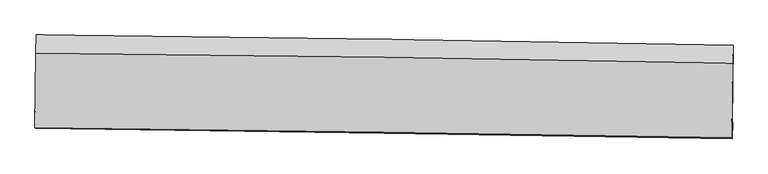
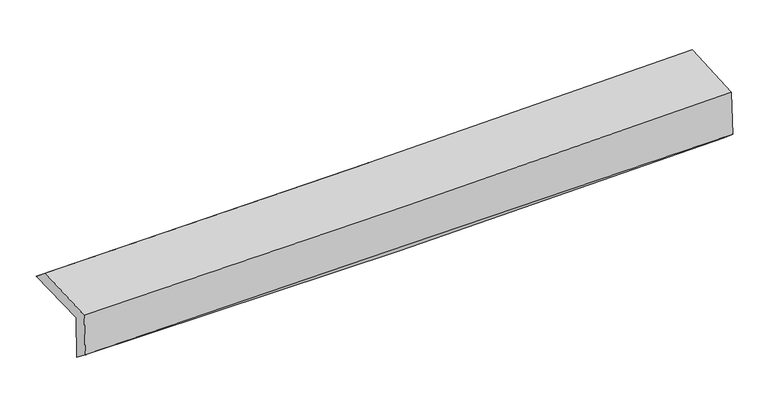
"""IFC4 building model written with IfcOpenShell, lengths in millimetres: proxy geometry."""

from ifc_helpers import new_model, si_unit, frame, origin, place, context, project, spatial, source, transform, mapped, element, save
from ifc_brep_helpers import plane_surface, spline_curve, spline_surface, advanced_brep


def generic_models_867abad8(model_context):
    return source(origin(), model_context, "Body", "AdvancedBrep", [
        advanced_brep(
        [(-3031.2716714, -1755.4443718, 1971.0877321), (-3022.4803726, -1091.129277, 1981.9878266), (3018.5787591, -1181.9425075, 2111.3814659), (3009.2384975, -1856.6381618, 2121.6259902), (-3023.4626672, -1748.9866122, 1571.2161067), (3017.3474844, -1849.9323276, 1706.3933082), (-3027.8544888, -1900.6937958, 1692.1961915), (3013.0987943, -1991.8200515, 1826.8517262), (-3035.2932923, -1893.9986168, 2082.1261877), (3005.1785366, -1984.6915471, 2242.0187703), (-3027.0543268, -1249.4639747, 2107.7492119), (3013.4766385, -1335.5306647, 2267.8257075)],
        [
            (0, 1),
            (1, 2, spline_curve(3, [(-3022.4803726, -1091.129277, 1981.9878266), (-2015.007222261, -1100.379068022, 1977.255828729), (-1007.870228349, -1112.571290563, 1985.671626064), (1005.816205762, -1142.841871764, 2028.80062529), (2012.365588775, -1160.920726144, 2063.516041376), (3018.5787591, -1181.9425075, 2111.3814659)], [4, 2, 4], [0.0, 9.914238316474265, 19.829311273781716])),
            (2, 3),
            (3, 0, spline_curve(3, [(3009.2384975, -1856.6381618, 2121.6259902), (2003.254277446, -1833.866883667, 2063.1316501), (996.865115365, -1814.048198122, 2021.339800325), (-1016.638342454, -1780.317431848, 1971.163192872), (-2023.752569888, -1766.404854068, 1962.775623459), (-3031.2716714, -1755.4443718, 1971.0877321)], [4, 2, 4], [0.0, 9.915072957307451, 19.829311273781716])),
            (4, 0),
            (3, 5),
            (5, 4, spline_curve(3, [(3017.3474844, -1849.9323276, 1706.3933082), (2011.135775629, -1827.349174442, 1659.5478669), (1004.607873168, -1807.645221697, 1624.860417107), (-1008.995563848, -1773.997134793, 1579.803397), (-2016.071045394, -1760.052515486, 1569.431779352), (-3023.4626672, -1748.9866122, 1571.2161067)], [4, 2, 4], [0.0, 9.915031159944924, 19.82922768257512])),
            (6, 4),
            (5, 7),
            (7, 6, spline_curve(3, [(3013.0987943, -1991.8200515, 1826.8517262), (2006.36288355, -1974.638423084, 1803.362576754), (999.560962971, -1958.453476537, 1780.396257144), (-1014.090142844, -1928.078225996, 1735.511166726), (-2020.939316083, -1913.887753917, 1713.592308061), (-3027.8544888, -1900.6937958, 1692.1961915)], [4, 2, 4], [0.0, 9.913971319695243, 19.82710809129204])),
            (8, 6),
            (7, 9),
            (9, 8, spline_curve(3, [(3005.1785366, -1984.6915471, 2242.0187703), (1998.681997425, -1967.725361263, 2205.982154401), (992.039881875, -1951.684245115, 2174.63910161), (-1021.450752303, -1921.453424138, 2121.342364118), (-2028.299246258, -1907.263563648, 2099.387889558), (-3035.2932923, -1893.9986168, 2082.1261877)], [4, 2, 4], [0.0, 9.91383358879135, 19.826832641078305])),
            (10, 8),
            (9, 11),
            (11, 10, spline_curve(3, [(3013.4766385, -1335.5306647, 2267.8257075), (2006.99398108, -1317.478521121, 2231.832263369), (1000.353877442, -1301.280001383, 2200.49546779), (-1013.15647084, -1272.591416556, 2147.137419718), (-2020.026688881, -1260.101039955, 2125.115383299), (-3027.0543268, -1249.4639747, 2107.7492119)], [4, 2, 4], [0.0, 9.914048493403678, 19.827262432212507])),
            (1, 10),
            (11, 2),
        ],
        [
            spline_surface(3, 3, [[(-3031.2716714, -1755.4443718, 1971.0877321), (-2023.75256993, -1766.40485407, 1962.775623347), (-1016.638342443, -1780.317431851, 1971.163192862), (996.865115355, -1814.04819812, 2021.339800335), (2003.254277517, -1833.866883657, 2063.131650216), (3009.2384975, -1856.6381618, 2121.6259902)], [(-3028.341238454, -1534.006006844, 1974.721096931), (-2020.837454011, -1544.396258721, 1967.602358521), (-1013.715637676, -1557.735384705, 1975.999337245), (999.848812133, -1590.312756023, 2023.826741981), (2006.291381316, -1609.551497863, 2063.259780563), (3012.351918051, -1631.739610362, 2118.211148758)], [(-3025.410805546, -1312.567641956, 1978.354461769), (-2017.922338129, -1322.387663442, 1972.429093702), (-1010.792932976, -1335.153337601, 1980.835481663), (1002.832508845, -1366.577313968, 2026.313683662), (2009.328485062, -1385.236112082, 2063.387910936), (3015.465338549, -1406.841058938, 2114.796307342)], [(-3022.4803726, -1091.129277, 1981.9878266), (-2015.00722221, -1100.379068093, 1977.255828877), (-1007.87022821, -1112.571290456, 1985.671626046), (1005.816205623, -1142.841871871, 2028.800625308), (2012.365588861, -1160.920726289, 2063.516041283), (3018.5787591, -1181.9425075, 2111.3814659)]], [4, 4], [4, 2, 4], [0.0, 2.1969327340027465], [0.0, 9.914238316474265, 19.829311273781716]),
            spline_surface(3, 3, [[(-3023.4626672, -1748.9866122, 1571.2161067), (-2016.071045328, -1760.052515414, 1569.431779511), (-1008.99556388, -1773.997134707, 1579.803396884), (1004.607873199, -1807.645221784, 1624.860417223), (2011.135775657, -1827.349174305, 1659.547867055), (3017.3474844, -1849.9323276, 1706.3933082)], [(-3026.065668616, -1751.139198749, 1704.506648497), (-2018.631553545, -1762.169961648, 1700.54639412), (-1011.543156753, -1776.103900426, 1710.256662203), (1002.026953899, -1809.779547234, 1757.020211586), (2008.508609605, -1829.52174412, 1794.075794777), (3014.644488762, -1852.167605697, 1844.804202202)], [(-3028.668669984, -1753.291785251, 1837.797190303), (-2021.192061713, -1764.287407836, 1831.661008738), (-1014.09074957, -1778.210666131, 1840.709927544), (999.446034655, -1811.91387267, 1889.180005971), (2005.881443569, -1831.694313843, 1928.603722494), (3011.941493138, -1854.402883703, 1983.215096198)], [(-3031.2716714, -1755.4443718, 1971.0877321), (-2023.75256993, -1766.40485407, 1962.775623347), (-1016.638342443, -1780.317431851, 1971.163192862), (996.865115355, -1814.04819812, 2021.339800335), (2003.254277517, -1833.866883657, 2063.131650216), (3009.2384975, -1856.6381618, 2121.6259902)]], [4, 4], [4, 2, 4], [0.0, 1.2928027194106648], [0.0, 9.914196522630196, 19.82922768257512]),
            spline_surface(3, 3, [[(-3027.8544888, -1900.6937958, 1692.1961915), (-2020.939316129, -1913.887753798, 1713.592308186), (-1014.090142685, -1928.078225884, 1735.511166836), (999.560962812, -1958.453476649, 1780.396257034), (2006.3628837, -1974.638423149, 1803.36257665), (3013.0987943, -1991.8200515, 1826.8517262)], [(-3026.390548248, -1850.124734582, 1651.869496561), (-2019.316559177, -1862.609340986, 1665.538798622), (-1012.391949734, -1876.717862154, 1683.608576869), (1001.24326629, -1908.184058356, 1728.550977114), (2007.953847667, -1925.542006852, 1755.424340109), (3014.515024315, -1944.524143518, 1786.698920191)], [(-3024.926607752, -1799.555673418, 1611.542801639), (-2017.69380228, -1811.330928226, 1617.485289074), (-1010.693756831, -1825.357498437, 1631.705986852), (1002.925569721, -1857.914640077, 1676.705697143), (2009.54481169, -1876.445590602, 1707.486103595), (3015.931254385, -1897.228235582, 1746.546114209)], [(-3023.4626672, -1748.9866122, 1571.2161067), (-2016.071045328, -1760.052515414, 1569.431779511), (-1008.99556388, -1773.997134707, 1579.803396884), (1004.607873199, -1807.645221784, 1624.860417223), (2011.135775657, -1827.349174305, 1659.547867055), (3017.3474844, -1849.9323276, 1706.3933082)]], [4, 4], [4, 2, 4], [0.0, 0.7149159613430349], [0.0, 9.913136771596797, 19.82710809129204]),
            spline_surface(3, 3, [[(-3035.2932923, -1893.9986168, 2082.1261877), (-2028.299246244, -1907.263563558, 2099.387889661), (-1021.450752291, -1921.453424109, 2121.342364171), (992.039881862, -1951.684245145, 2174.639101556), (1998.681997519, -1967.72536135, 2205.982154546), (3005.1785366, -1984.6915471, 2242.0187703)], [(-3032.813691133, -1896.230343143, 1952.149522319), (-2025.845936206, -1909.471626981, 1970.789362522), (-1018.997215767, -1923.661691377, 1992.731965058), (994.546908834, -1953.940655655, 2043.224820047), (2001.242292918, -1970.029715278, 2071.775628566), (3007.818622506, -1987.067715229, 2103.629755586)], [(-3030.334089967, -1898.462069457, 1822.172856881), (-2023.392626167, -1911.679690375, 1842.190835325), (-1016.543679209, -1925.869958616, 1864.121565949), (997.05393584, -1956.197066138, 1911.810538543), (2003.802588301, -1972.33406922, 1937.569102629), (3010.458708394, -1989.443883371, 1965.240740914)], [(-3027.8544888, -1900.6937958, 1692.1961915), (-2020.939316129, -1913.887753798, 1713.592308186), (-1014.090142685, -1928.078225884, 1735.511166836), (999.560962812, -1958.453476649, 1780.396257034), (2006.3628837, -1974.638423149, 1803.36257665), (3013.0987943, -1991.8200515, 1826.8517262)]], [4, 4], [4, 2, 4], [0.0, 1.2800716013873052], [0.0, 9.912999052286954, 19.826832641078305]),
            spline_surface(3, 3, [[(-3027.0543268, -1249.4639747, 2107.7492119), (-2020.026689026, -1260.101039814, 2125.11538346), (-1013.156470835, -1272.59141666, 2147.137419796), (1000.353877437, -1301.280001279, 2200.495467712), (2006.993981015, -1317.478521077, 2231.832263242), (3013.4766385, -1335.5306647, 2267.8257075)], [(-3029.800648647, -1464.308855408, 2099.208203827), (-2022.784208112, -1475.82188107, 2116.539552187), (-1015.921231316, -1488.878752482, 2138.539067929), (997.582545583, -1518.081415906, 2191.876679001), (2004.223319848, -1534.227467836, 2223.215560354), (3010.710604532, -1551.917625502, 2259.223395111)], [(-3032.546970453, -1679.153736092, 2090.667195773), (-2025.541727157, -1691.542722302, 2107.963720934), (-1018.68599181, -1705.166088287, 2129.940716039), (994.811213716, -1734.882830517, 2183.257890267), (2001.452658685, -1750.97641459, 2214.598857433), (3007.944570568, -1768.304586298, 2250.621082689)], [(-3035.2932923, -1893.9986168, 2082.1261877), (-2028.299246244, -1907.263563558, 2099.387889661), (-1021.450752291, -1921.453424109, 2121.342364171), (992.039881862, -1951.684245145, 2174.639101556), (1998.681997519, -1967.72536135, 2205.982154546), (3005.1785366, -1984.6915471, 2242.0187703)]], [4, 4], [4, 2, 4], [0.0, 2.1332000019384565], [0.0, 9.913213938808829, 19.827262432212507]),
            spline_surface(3, 3, [[(-3022.4803726, -1091.129277, 1981.9878266), (-2015.00722221, -1100.379068093, 1977.255828877), (-1007.87022821, -1112.571290456, 1985.671626046), (1005.816205623, -1142.841871871, 2028.800625308), (2012.365588861, -1160.920726289, 2063.516041283), (3018.5787591, -1181.9425075, 2111.3814659)], [(-3024.005024, -1143.907509574, 2023.908288364), (-2016.680377816, -1153.619725341, 2026.542347068), (-1009.632309097, -1165.911332523, 2039.493557293), (1003.995429549, -1195.654581673, 2086.03223944), (2010.575052913, -1213.106657877, 2119.621448622), (3016.878052235, -1233.138559892, 2163.529546452)], [(-3025.5296754, -1196.685742126, 2065.828750136), (-2018.35353342, -1206.860382567, 2075.828865268), (-1011.394389948, -1219.251374593, 2093.315488549), (1002.174653511, -1248.467291477, 2143.263853581), (2008.784516962, -1265.292589489, 2175.726855903), (3015.177345365, -1284.334612308, 2215.677626948)], [(-3027.0543268, -1249.4639747, 2107.7492119), (-2020.026689026, -1260.101039814, 2125.11538346), (-1013.156470835, -1272.59141666, 2147.137419796), (1000.353877437, -1301.280001279, 2200.495467712), (2006.993981015, -1317.478521077, 2231.832263242), (3013.4766385, -1335.5306647, 2267.8257075)]], [4, 4], [4, 2, 4], [0.0, 0.7562455003387838], [0.0, 9.91340889936792, 19.827652369743653]),
            plane_surface(frame((3012.8197851, -1700.0925434, 2046.0161614), z_axis=(0.9997218715489918, -0.013546697143213646, 0.019304573113420823), x_axis=(0.019070998885424427, -0.017164555000617435, -0.9996707833347652))),
            plane_surface(frame((-3027.9028032, -1606.6194414, 1901.0605428), z_axis=(-0.9997218715489804, 0.013546697143032017, -0.019304573114134096), x_axis=(-0.01323068878004413, -0.9997778980222023, -0.016404374438316174))),
        ],
        [
            (0, [[1, 2, 3, 4]]),
            (1, [[5, -4, 6, 7]]),
            (2, [[8, -7, 9, 10]]),
            (3, [[11, -10, 12, 13]]),
            (4, [[14, -13, 15, 16]]),
            (5, [[17, -16, 18, -2]]),
            (6, [[-12, -9, -6, -3, -18, -15]]),
            (7, [[-1, -5, -8, -11, -14, -17]]),
        ],
    ),
    ])


if __name__ == "__main__":
    model = new_model("IFC4")
    model_context = context("Model", 3, world=origin())
    ifc_project = project(units=[si_unit("LENGTHUNIT", "METRE", prefix="MILLI")], contexts=[model_context])
    site = spatial("IfcSite", under=ifc_project)
    building = spatial("IfcBuilding", under=site)
    placement = place(None, origin())
    generic_models_shape = generic_models_867abad8(model_context)
    element("IfcBuildingElementProxy", 1, Name="Generic Models", at=placement, inside=building, context=model_context, shape_type="MappedRepresentation", body=[
        mapped(generic_models_shape, transform((0.0, 0.0, 0.0), x_axis=(1.0, 0.0, 0.0), y_axis=(0.0, 1.0, 0.0), z_axis=(0.0, 0.0, 1.0))),
    ])
    save(model, "model.ifc")
